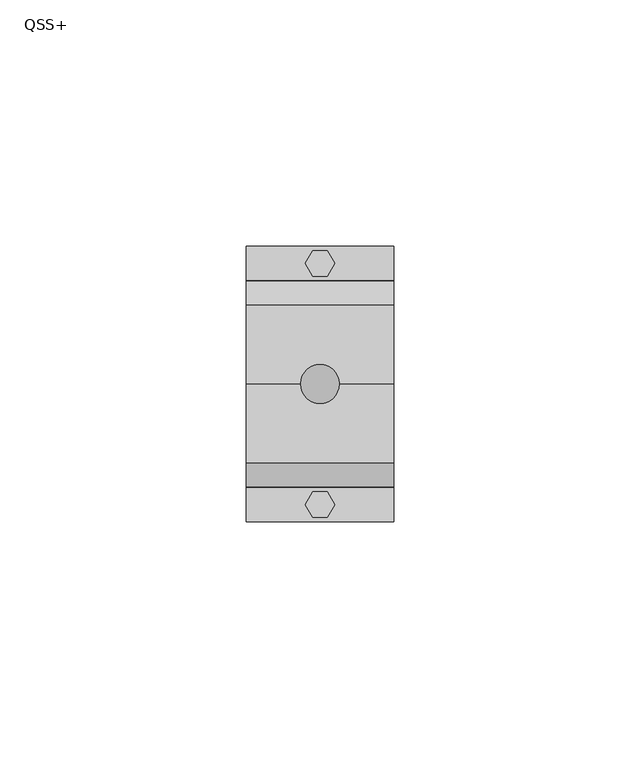
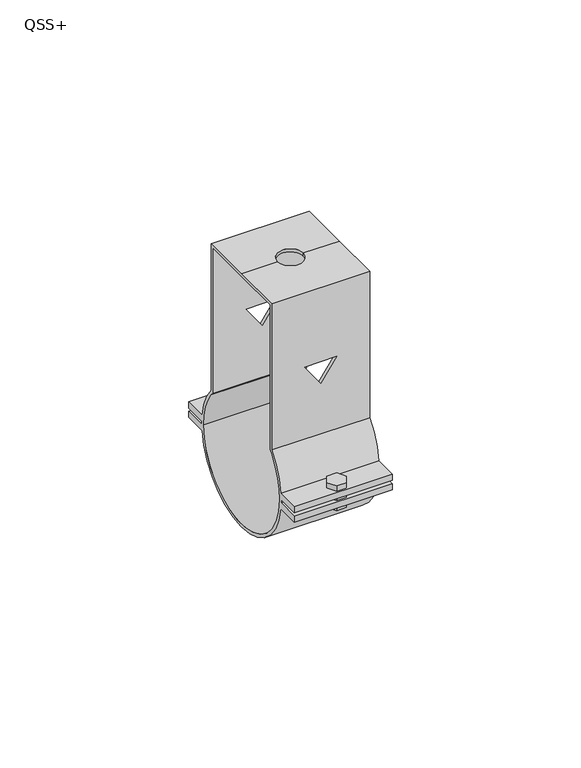
"""IFC4 building model written with IfcOpenShell, lengths in millimetres: proxy geometry, QSS+."""

from ifc_helpers import new_model, si_unit, frame, origin, place, context, project, spatial, polyline, circle_curve, outline, extrude, source, transform, mapped, element, save
from ifc_brep_helpers import plane_surface, cylinder_surface, revolved_surface, advanced_brep


def qss_17f79a30(model_context):
    return source(origin(), model_context, "Body", "SolidModel", [
        extrude(outline(polyline([(1.5, 27.0980762), (3.0, 24.5), (1.5, 21.9019238), (-1.5, 21.9019238), (-3.0, 24.5), (-1.5, 27.0980762), (1.5, 27.0980762)])), frame((0.0, 0.0, -4.0), z_axis=(0.0, 0.0, 1.0), x_axis=(1.0, 0.0, 0.0)), (0.0, 0.0, 1.0), 8.0),
        extrude(outline(polyline([(1.5, -27.0980762), (-1.5, -27.0980762), (-3.0, -24.5), (-1.5, -21.9019238), (1.5, -21.9019238), (3.0, -24.5), (1.5, -27.0980762)])), frame((0.0, 0.0, -4.0), z_axis=(0.0, 0.0, 1.0), x_axis=(1.0, 0.0, 0.0)), (0.0, 0.0, 1.0), 8.0),
        advanced_brep(
        [(-15.0, -16.0, 61.0), (-15.0, 0.0, 61.0), (-15.0, 16.0, 61.0), (-15.0, 16.0, 13.6014705), (-15.0, 20.8546219, 2.4667277), (-15.0, 28.0, 2.4667277), (-15.0, 28.0, 0.4667277), (-15.0, 20.9948128, 0.4667277), (-15.0, 21.0, 0.0), (-15.0, 20.9948128, -0.4667277), (-15.0, 28.0, -0.4667277), (-15.0, 28.0, -2.4667277), (-15.0, 20.8546219, -2.4667277), (-15.0, -20.8501149, -2.5045372), (-15.0, -28.0, -2.5045372), (-15.0, -28.0, -0.5045372), (-15.0, -20.9939382, -0.5045372), (-15.0, -21.0, 0.0), (-15.0, -20.9939382, 0.5045372), (-15.0, -28.0, 0.5045372), (-15.0, -28.0, 2.5045372), (-15.0, -20.8501149, 2.5045372), (-15.0, -16.0, 13.6014705), (-15.0, 14.9730976, 60.0081289), (-15.0, 0.0, 60.0081289), (-15.0, -14.9730976, 60.0081289), (-15.0, -14.9730976, 13.2591986), (-15.0, -16.0, 12.0), (-15.0, -20.0, 0.0), (-15.0, 20.0, 0.0), (-15.0, 16.0, 12.0), (-15.0, 14.9730976, 13.2591986), (15.0, 16.0, 61.0), (15.0, 0.0, 61.0), (15.0, -16.0, 61.0), (15.0, -16.0, 13.6014705), (15.0, -20.8501149, 2.5045372), (15.0, -28.0, 2.5045372), (15.0, -28.0, 0.5045372), (15.0, -20.9939382, 0.5045372), (15.0, -21.0, 0.0), (15.0, -20.9939382, -0.5045372), (15.0, -28.0, -0.5045372), (15.0, -28.0, -2.5045372), (15.0, -20.8501149, -2.5045372), (15.0, 20.8546219, -2.4667277), (15.0, 28.0, -2.4667277), (15.0, 28.0, -0.4667277), (15.0, 20.9948128, -0.4667277), (15.0, 21.0, 0.0), (15.0, 20.9948128, 0.4667277), (15.0, 28.0, 0.4667277), (15.0, 28.0, 2.4667277), (15.0, 20.8546219, 2.4667277), (15.0, 16.0, 13.6014705), (15.0, -14.9730976, 60.0081289), (15.0, 0.0, 60.0081289), (15.0, 14.9730976, 60.0081289), (15.0, 14.9730976, 13.2591986), (15.0, 16.0, 12.0), (15.0, 20.0, 0.0), (15.0, -20.0, 0.0), (15.0, -16.0, 12.0), (15.0, -14.9730976, 13.2591986), (-4.0, 0.0, 61.0), (4.0, 0.0, 61.0), (0.0, -16.0, 36.8826485), (4.9139468, -16.0, 36.8826485), (0.0, -16.0, 29.8648052), (-4.9139468, -16.0, 36.8826485), (4.9139468, -14.9730976, 36.8826485), (0.0, -14.9730976, 36.8826485), (-4.9139468, -14.9730976, 36.8826485), (0.0, -14.9730976, 29.8648052), (-4.0, 0.0, 60.0081289), (4.0, 0.0, 60.0081289), (0.0, 14.9730976, 36.8826485), (4.9139468, 14.9730976, 36.8826485), (0.0, 14.9730976, 29.8648052), (-4.9139468, 14.9730976, 36.8826485), (4.9139468, 16.0, 36.8826485), (0.0, 16.0, 36.8826485), (-4.9139468, 16.0, 36.8826485), (0.0, 16.0, 29.8648052)],
        [
            (0, 1),
            (1, 2),
            (2, 3),
            (3, 4, circle_curve(frame((-15.0, 0.0, 0.0), z_axis=(-1.0, 0.0, 0.0), x_axis=(0.0, 1.0, 0.0)), 21.0)),
            (4, 5),
            (5, 6),
            (6, 7),
            (7, 8, circle_curve(frame((-15.0, 0.0, 0.0), z_axis=(-1.0, 0.0, 0.0), x_axis=(0.0, 1.0, 0.0)), 21.0)),
            (8, 9, circle_curve(frame((-15.0, 0.0, 0.0), z_axis=(-1.0, 0.0, 0.0), x_axis=(0.0, 1.0, 0.0)), 21.0)),
            (9, 10),
            (10, 11),
            (11, 12),
            (12, 13, circle_curve(frame((-15.0, 0.0, 0.0), z_axis=(-1.0, 0.0, 0.0), x_axis=(0.0, 1.0, 0.0)), 21.0)),
            (13, 14),
            (14, 15),
            (15, 16),
            (16, 17, circle_curve(frame((-15.0, 0.0, 0.0), z_axis=(-1.0, 0.0, 0.0), x_axis=(0.0, 1.0, 0.0)), 21.0)),
            (17, 18, circle_curve(frame((-15.0, 0.0, 0.0), z_axis=(-1.0, 0.0, 0.0), x_axis=(0.0, 1.0, 0.0)), 21.0)),
            (18, 19),
            (19, 20),
            (20, 21),
            (21, 22, circle_curve(frame((-15.0, 0.0, 0.0), z_axis=(-1.0, 0.0, 0.0), x_axis=(0.0, 1.0, 0.0)), 21.0)),
            (22, 0),
            (23, 24),
            (24, 25),
            (25, 26),
            (26, 27, circle_curve(frame((-15.0, 0.0, 0.0), z_axis=(1.0, 0.0, 0.0), x_axis=(0.0, 1.0, 0.0)), 20.0)),
            (27, 28, circle_curve(frame((-15.0, 0.0, 0.0), z_axis=(1.0, 0.0, 0.0), x_axis=(0.0, 1.0, 0.0)), 20.0)),
            (28, 29, circle_curve(frame((-15.0, 0.0, 0.0), z_axis=(1.0, 0.0, 0.0), x_axis=(0.0, 1.0, 0.0)), 20.0)),
            (29, 30, circle_curve(frame((-15.0, 0.0, 0.0), z_axis=(1.0, 0.0, 0.0), x_axis=(0.0, 1.0, 0.0)), 20.0)),
            (30, 31, circle_curve(frame((-15.0, 0.0, 0.0), z_axis=(1.0, 0.0, 0.0), x_axis=(0.0, 1.0, 0.0)), 20.0)),
            (31, 23),
            (32, 33),
            (33, 34),
            (34, 35),
            (35, 36, circle_curve(frame((15.0, 0.0, 0.0), z_axis=(1.0, 0.0, 0.0), x_axis=(0.0, 1.0, 0.0)), 21.0)),
            (36, 37),
            (37, 38),
            (38, 39),
            (39, 40, circle_curve(frame((15.0, 0.0, 0.0), z_axis=(1.0, 0.0, 0.0), x_axis=(0.0, 1.0, 0.0)), 21.0)),
            (40, 41, circle_curve(frame((15.0, 0.0, 0.0), z_axis=(1.0, 0.0, 0.0), x_axis=(0.0, 1.0, 0.0)), 21.0)),
            (41, 42),
            (42, 43),
            (43, 44),
            (44, 45, circle_curve(frame((15.0, 0.0, 0.0), z_axis=(1.0, 0.0, 0.0), x_axis=(0.0, 1.0, 0.0)), 21.0)),
            (45, 46),
            (46, 47),
            (47, 48),
            (48, 49, circle_curve(frame((15.0, 0.0, 0.0), z_axis=(1.0, 0.0, 0.0), x_axis=(0.0, 1.0, 0.0)), 21.0)),
            (49, 50, circle_curve(frame((15.0, 0.0, 0.0), z_axis=(1.0, 0.0, 0.0), x_axis=(0.0, 1.0, 0.0)), 21.0)),
            (50, 51),
            (51, 52),
            (52, 53),
            (53, 54, circle_curve(frame((15.0, 0.0, 0.0), z_axis=(1.0, 0.0, 0.0), x_axis=(0.0, 1.0, 0.0)), 21.0)),
            (54, 32),
            (55, 56),
            (56, 57),
            (57, 58),
            (58, 59, circle_curve(frame((15.0, 0.0, 0.0), z_axis=(-1.0, 0.0, 0.0), x_axis=(0.0, 1.0, 0.0)), 20.0)),
            (59, 60, circle_curve(frame((15.0, 0.0, 0.0), z_axis=(-1.0, 0.0, 0.0), x_axis=(0.0, 1.0, 0.0)), 20.0)),
            (60, 61, circle_curve(frame((15.0, 0.0, 0.0), z_axis=(-1.0, 0.0, 0.0), x_axis=(0.0, 1.0, 0.0)), 20.0)),
            (61, 62, circle_curve(frame((15.0, 0.0, 0.0), z_axis=(-1.0, 0.0, 0.0), x_axis=(0.0, 1.0, 0.0)), 20.0)),
            (62, 63, circle_curve(frame((15.0, 0.0, 0.0), z_axis=(-1.0, 0.0, 0.0), x_axis=(0.0, 1.0, 0.0)), 20.0)),
            (63, 55),
            (1, 64),
            (64, 65, circle_curve(frame((0.0, 0.0, 61.0), z_axis=(0.0, 0.0, -1.0), x_axis=(1.0, 0.0, 0.0)), 4.0)),
            (65, 33),
            (32, 2),
            (0, 34),
            (65, 64, circle_curve(frame((0.0, 0.0, 61.0), z_axis=(0.0, 0.0, -1.0), x_axis=(1.0, 0.0, 0.0)), 4.0)),
            (22, 35),
            (66, 67),
            (67, 68),
            (68, 69),
            (69, 66),
            (25, 55),
            (63, 26),
            (70, 71),
            (71, 72),
            (72, 73),
            (73, 70),
            (24, 74),
            (74, 75, circle_curve(frame((0.0, 0.0, 60.0081289), z_axis=(0.0, 0.0, 1.0), x_axis=(1.0, 0.0, 0.0)), 4.0)),
            (75, 56),
            (23, 57),
            (75, 74, circle_curve(frame((0.0, 0.0, 60.0081289), z_axis=(0.0, 0.0, 1.0), x_axis=(1.0, 0.0, 0.0)), 4.0)),
            (31, 58),
            (76, 77),
            (77, 78),
            (78, 79),
            (79, 76),
            (54, 3),
            (80, 81),
            (81, 82),
            (82, 83),
            (83, 80),
            (61, 28),
            (27, 62),
            (29, 60),
            (59, 30),
            (40, 17),
            (16, 41),
            (8, 49),
            (48, 9),
            (12, 45),
            (44, 13),
            (21, 36),
            (53, 4),
            (39, 18),
            (7, 50),
            (6, 51),
            (5, 52),
            (11, 46),
            (10, 47),
            (38, 19),
            (37, 20),
            (43, 14),
            (42, 15),
            (70, 67),
            (66, 71),
            (80, 77),
            (76, 81),
            (69, 72),
            (79, 82),
            (68, 73),
            (78, 83),
            (65, 75),
            (74, 64),
        ],
        [
            plane_surface(frame((-15.0, 16.0, 61.0), z_axis=(-1.0, 0.0, 0.0), x_axis=(0.0, 1.0, 0.0))),
            plane_surface(frame((15.0, 16.0, 61.0), z_axis=(1.0, 0.0, 0.0), x_axis=(0.0, -1.0, 0.0))),
            plane_surface(frame((15.0, 16.0, 61.0), z_axis=(0.0, 0.0, 1.0), x_axis=(-1.0, 0.0, 0.0))),
            plane_surface(frame((15.0, 0.0, 61.0), z_axis=(0.0, 0.0, 1.0), x_axis=(-1.0, 0.0, 0.0))),
            plane_surface(frame((15.0, -16.0, 61.0), z_axis=(0.0, -1.0, 0.0), x_axis=(-1.0, 0.0, 0.0))),
            plane_surface(frame((15.0, -14.9730976, 0.0), z_axis=(0.0, 1.0, 0.0), x_axis=(-1.0, 0.0, 0.0))),
            plane_surface(frame((15.0, -14.9730976, 60.0081289), z_axis=(0.0, 0.0, -1.0), x_axis=(-1.0, 0.0, 0.0))),
            plane_surface(frame((15.0, 0.0, 60.0081289), z_axis=(0.0, 0.0, -1.0), x_axis=(-1.0, 0.0, 0.0))),
            plane_surface(frame((15.0, 14.9730976, 60.0081289), z_axis=(0.0, -1.0, 0.0), x_axis=(-1.0, 0.0, 0.0))),
            plane_surface(frame((15.0, 16.0, 0.0), z_axis=(0.0, 1.0, 0.0), x_axis=(-1.0, 0.0, 0.0))),
            revolved_surface(polyline([(-15.0, 20.0, 0.0), (15.0, 20.0, 0.0)]), (-15.0, 0.0, 0.0), (-1.0, 0.0, 0.0)),
            cylinder_surface(frame((0.0, 0.0, 0.0), z_axis=(1.0, 0.0, 0.0), x_axis=(0.0, 1.0, 0.0)), 21.0),
            revolved_surface(polyline([(15.0, 20.0, 0.0), (-15.0, 20.0, 0.0)]), (-15.0, 0.0, 0.0), (1.0, 0.0, 0.0)),
            plane_surface(frame((15.0, 20.2591075, 0.4667277), z_axis=(0.0, 0.0, -1.0), x_axis=(-1.0, 0.0, 0.0))),
            plane_surface(frame((15.0, 28.0, 0.4667277), z_axis=(0.0, 1.0, 0.0), x_axis=(-1.0, 0.0, 0.0))),
            plane_surface(frame((15.0, 28.0, 2.4667277), z_axis=(0.0, 0.0, 1.0), x_axis=(-1.0, 0.0, 0.0))),
            plane_surface(frame((15.0, 20.2591075, -2.4667277), z_axis=(0.0, 0.0, -1.0), x_axis=(-1.0, 0.0, 0.0))),
            plane_surface(frame((15.0, 28.0, -2.4667277), z_axis=(0.0, 1.0, 0.0), x_axis=(-1.0, 0.0, 0.0))),
            plane_surface(frame((15.0, 28.0, -0.4667277), z_axis=(0.0, 0.0, 1.0), x_axis=(-1.0, 0.0, 0.0))),
            plane_surface(frame((15.0, -28.0, 0.5045372), z_axis=(0.0, 0.0, -1.0), x_axis=(-1.0, 0.0, 0.0))),
            plane_surface(frame((15.0, -28.0, 2.5045372), z_axis=(0.0, -1.0, 0.0), x_axis=(-1.0, 0.0, 0.0))),
            plane_surface(frame((15.0, -20.2591075, 2.5045372), z_axis=(0.0, 0.0, 1.0), x_axis=(-1.0, 0.0, 0.0))),
            plane_surface(frame((15.0, -28.0, -2.5045372), z_axis=(0.0, 0.0, -1.0), x_axis=(-1.0, 0.0, 0.0))),
            plane_surface(frame((15.0, -28.0, -0.5045372), z_axis=(0.0, -1.0, 0.0), x_axis=(-1.0, 0.0, 0.0))),
            plane_surface(frame((15.0, -20.2591075, -0.5045372), z_axis=(0.0, 0.0, 1.0), x_axis=(-1.0, 0.0, 0.0))),
            plane_surface(frame((4.9139468, -23.1577597, 36.8826485), z_axis=(0.0, 0.0, -1.0), x_axis=(0.0, 1.0, 0.0))),
            plane_surface(frame((0.0, -23.1577597, 36.8826485), z_axis=(0.0, 0.0, -1.0), x_axis=(0.0, 1.0, 0.0))),
            plane_surface(frame((-4.9139468, -23.1577597, 36.8826485), z_axis=(0.8191520442889921, 0.0, 0.5735764363510457), x_axis=(0.0, 1.0, 0.0))),
            plane_surface(frame((0.0, -23.1577597, 29.8648052), z_axis=(-0.8191520442889922, 0.0, 0.5735764363510454), x_axis=(0.0, 1.0, 0.0))),
            revolved_surface(polyline([(4.0, 0.0, 61.0), (4.0, 0.0, 60.0081289)]), (0.0, 0.0, 60.0081289), (0.0, 0.0, 1.0)),
        ],
        [
            (0, [[1, 2, 3, 4, 5, 6, 7, 8, 9, 10, 11, 12, 13, 14, 15, 16, 17, 18, 19, 20, 21, 22, 23], [24, 25, 26, 27, 28, 29, 30, 31, 32]]),
            (1, [[33, 34, 35, 36, 37, 38, 39, 40, 41, 42, 43, 44, 45, 46, 47, 48, 49, 50, 51, 52, 53, 54, 55], [56, 57, 58, 59, 60, 61, 62, 63, 64]]),
            (2, [[-2, 65, 66, 67, -33, 68]]),
            (3, [[-1, 69, -34, -67, 70, -65]]),
            (4, [[-69, -23, 71, -35], [72, 73, 74, 75]]),
            (5, [[76, -64, 77, -26], [78, 79, 80, 81]]),
            (6, [[-25, 82, 83, 84, -56, -76]]),
            (7, [[-24, 85, -57, -84, 86, -82]]),
            (8, [[-85, -32, 87, -58], [88, 89, 90, 91]]),
            (9, [[-68, -55, 92, -3], [93, 94, 95, 96]]),
            (10, [[97, -28, 98, -62]]),
            (10, [[99, -60, 100, -30]]),
            (10, [[-29, -97, -61, -99]]),
            (11, [[101, -17, 102, -41]]),
            (11, [[103, -49, 104, -9]]),
            (11, [[105, -45, 106, -13]]),
            (11, [[-71, -22, 107, -36]]),
            (11, [[-92, -54, 108, -4]]),
            (11, [[-101, -40, 109, -18]]),
            (11, [[-103, -8, 110, -50]]),
            (12, [[-27, -77, -63, -98]]),
            (12, [[-31, -100, -59, -87]]),
            (13, [[111, -51, -110, -7]]),
            (14, [[-52, -111, -6, 112]]),
            (15, [[-112, -5, -108, -53]]),
            (16, [[113, -46, -105, -12]]),
            (17, [[-47, -113, -11, 114]]),
            (18, [[-114, -10, -104, -48]]),
            (19, [[115, -19, -109, -39]]),
            (20, [[-38, 116, -20, -115]]),
            (21, [[-116, -37, -107, -21]]),
            (22, [[117, -14, -106, -44]]),
            (23, [[-43, 118, -15, -117]]),
            (24, [[-118, -42, -102, -16]]),
            (25, [[119, -72, 120, -78]]),
            (25, [[121, -88, 122, -93]]),
            (26, [[-120, -75, 123, -79]]),
            (26, [[-122, -91, 124, -94]]),
            (27, [[-123, -74, 125, -80]]),
            (27, [[-124, -90, 126, -95]]),
            (28, [[-119, -81, -125, -73]]),
            (28, [[-121, -96, -126, -89]]),
            (29, [[127, -83, 128, -70]]),
            (29, [[-127, -66, -128, -86]]),
        ],
    ),
    ])


if __name__ == "__main__":
    model = new_model("IFC4")
    model_context = context("Model", 3, world=origin())
    ifc_project = project(units=[si_unit("LENGTHUNIT", "METRE", prefix="MILLI")], contexts=[model_context])
    site = spatial("IfcSite", under=ifc_project)
    building = spatial("IfcBuilding", under=site)
    placement = place(None, origin())
    qss_shape = qss_17f79a30(model_context)
    element("IfcBuildingElementProxy", 1, Name="QSS+", ObjectType="QSS+", at=placement, inside=building, context=model_context, shape_type="MappedRepresentation", body=[
        mapped(qss_shape, transform((0.0, 0.0, 0.0), x_axis=(1.0, 0.0, 0.0), y_axis=(0.0, 1.0, 0.0), z_axis=(0.0, 0.0, 1.0))),
    ])
    save(model, "model.ifc")
